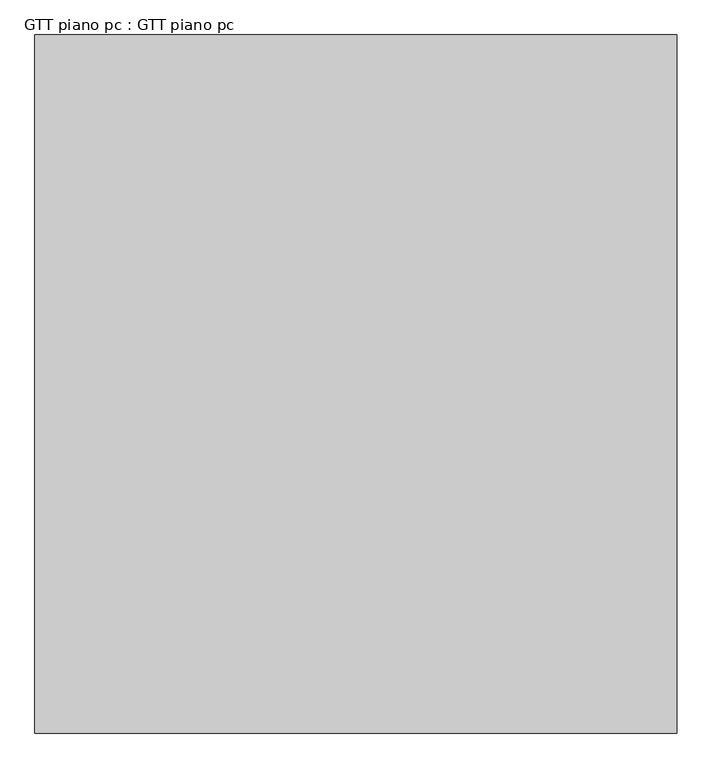
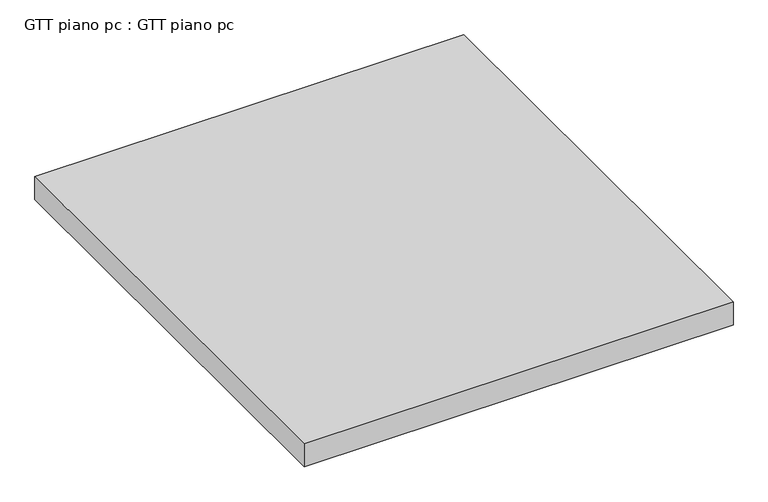
"""IFC4 building model written with IfcOpenShell, lengths in millimetres: proxy geometry, GTT piano pc : GTT piano pc."""

from ifc_helpers import new_model, si_unit, frame, origin, place, context, project, spatial, polyline, outline, extrude, source, transform, mapped, element, save


def gtt_piano_pc_gtt_piano_pc_1847035f(model_context):
    return source(origin(), model_context, "Body", "SweptSolid", [
        extrude(outline(polyline([(0.0, 1000.0), (920.0, 1000.0), (920.0, 0.0), (0.0, 0.0), (0.0, 1000.0)])), frame((0.0, 0.0, -176.9980648), z_axis=(0.0, 0.0, 1.0), x_axis=(1.0, 0.0, 0.0)), (0.0, 0.0, 1.0), 52.1659734),
    ])


if __name__ == "__main__":
    model = new_model("IFC4")
    model_context = context("Model", 3, world=origin())
    ifc_project = project(units=[si_unit("LENGTHUNIT", "METRE", prefix="MILLI")], contexts=[model_context])
    site = spatial("IfcSite", under=ifc_project)
    building = spatial("IfcBuilding", under=site)
    placement = place(None, origin())
    gtt_piano_pc_gtt_piano_pc_shape = gtt_piano_pc_gtt_piano_pc_1847035f(model_context)
    element("IfcBuildingElementProxy", 1, Name="GTT piano pc : GTT piano pc", ObjectType="GTT piano pc : GTT piano pc", at=placement, inside=building, context=model_context, shape_type="MappedRepresentation", body=[
        mapped(gtt_piano_pc_gtt_piano_pc_shape, transform((0.0, 0.0, 0.0), x_axis=(1.0, 0.0, 0.0), y_axis=(0.0, 1.0, 0.0), z_axis=(0.0, 0.0, 1.0))),
    ])
    save(model, "model.ifc")
